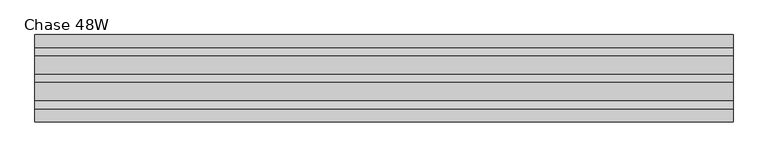
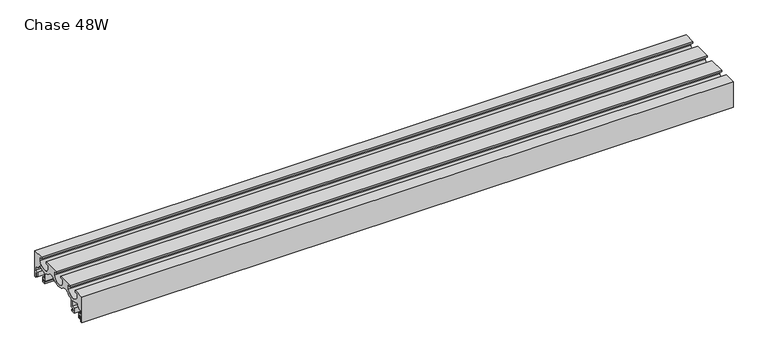
"""IFC4 building model written with IfcOpenShell, lengths in millimetres: furniture geometry, Chase 48W."""

from ifc_helpers import new_model, si_unit, point, frame, frame_2d, origin, place, context, project, spatial, polyline, circle_curve, trimmed, segment, composite_curve, outline, extrude, source, transform, mapped, element, save


def chase_48w_9d4e9c38(model_context):
    return source(origin(), model_context, "Body", "SweptSolid", [
        extrude(outline(composite_curve([segment(polyline([(76.2, 625.0939671), (73.1519984, 625.0939671), (73.1519984, 636.0114693), (69.7230016, 636.0114693), (69.7230016, 629.7431746), (66.675, 629.7431746), (66.675, 639.0639719), (73.1519984, 639.0639719), (73.1519984, 646.9289715), (67.1194996, 646.9289715), (62.8014992, 651.5100145), (62.8014992, 654.2731932)]), True, "CONTINUOUS"), segment(trimmed(circle_curve(frame_2d((61.2689815, 654.2731932)), 1.5325176), [point((62.8014992, 654.2731932))], [point((60.443958, 655.5646832))], True, "CARTESIAN"), True, "CONTINUOUS"), segment(trimmed(circle_curve(frame_2d((45.7854705, 678.5110487)), 27.2287889), [point((60.443958, 655.5646832))], [point((47.15276, 651.3166106))], False, "CARTESIAN"), True, "CONTINUOUS"), segment(trimmed(circle_curve(frame_2d((47.2687964, 649.0087274)), 2.3107984), [point((47.15276, 651.3166106))], [point((44.957998, 649.0087274))], True, "CARTESIAN"), True, "CONTINUOUS"), segment(polyline([(44.957998, 649.0087274), (44.957998, 639.0639719), (51.4350009, 639.0639719), (51.4350009, 629.5389719), (43.5365777, 629.5389719), (43.5365777, 632.586969), (48.3869993, 632.586969), (48.3869993, 636.0159748), (41.9100009, 636.0159748), (41.9100009, 649.5453748)]), True, "CONTINUOUS"), segment(trimmed(circle_curve(frame_2d((39.0714407, 649.5453748)), 2.8385603), [point((41.9100009, 649.5453748))], [point((39.705064, 652.3123128))], True, "CARTESIAN"), True, "CONTINUOUS"), segment(trimmed(circle_curve(frame_2d((43.855594, 670.4370539)), 18.5939007), [point((39.705064, 652.3123128))], [point((29.8324836, 658.2269959))], False, "CARTESIAN"), True, "CONTINUOUS"), segment(trimmed(circle_curve(frame_2d((26.7329772, 655.5282257)), 4.1097811), [point((29.8324836, 658.2269959))], [point((26.7329772, 659.6380068))], True, "CARTESIAN"), True, "CONTINUOUS"), segment(polyline([(26.7329772, 659.6380068), (20.668497, 659.6380068)]), True, "CONTINUOUS"), segment(trimmed(circle_curve(frame_2d((20.668497, 653.2880068)), 6.35), [point((20.668497, 659.6380068))], [point((16.3430808, 657.9370147))], True, "CARTESIAN"), True, "CONTINUOUS"), segment(trimmed(circle_curve(frame_2d((0.0, 675.5027493)), 23.9927348), [point((16.3430808, 657.9370147))], [point((-16.3430808, 657.9370147))], False, "CARTESIAN"), True, "CONTINUOUS"), segment(trimmed(circle_curve(frame_2d((-20.668497, 653.2880068)), 6.35), [point((-16.3430808, 657.9370147))], [point((-20.668497, 659.6380068))], True, "CARTESIAN"), True, "CONTINUOUS"), segment(polyline([(-20.668497, 659.6380068), (-26.7329772, 659.6380068)]), True, "CONTINUOUS"), segment(trimmed(circle_curve(frame_2d((-26.7329772, 655.5282257)), 4.1097811), [point((-26.7329772, 659.6380068))], [point((-29.8324836, 658.2269959))], True, "CARTESIAN"), True, "CONTINUOUS"), segment(trimmed(circle_curve(frame_2d((-43.855594, 670.4370539)), 18.5939007), [point((-29.8324836, 658.2269959))], [point((-39.705064, 652.3123128))], False, "CARTESIAN"), True, "CONTINUOUS"), segment(trimmed(circle_curve(frame_2d((-39.0714407, 649.5453748)), 2.8385603), [point((-39.705064, 652.3123128))], [point((-41.9100009, 649.5453748))], True, "CARTESIAN"), True, "CONTINUOUS"), segment(polyline([(-41.9100009, 649.5453748), (-41.9100009, 636.0159748), (-48.3869993, 636.0159748), (-48.3869993, 632.586969), (-43.5365777, 632.586969), (-43.5365777, 629.5389719), (-51.4350009, 629.5389719), (-51.4350009, 639.0639719), (-44.957998, 639.0639719), (-44.957998, 649.0087274)]), True, "CONTINUOUS"), segment(trimmed(circle_curve(frame_2d((-47.2687964, 649.0087274)), 2.3107984), [point((-44.957998, 649.0087274))], [point((-47.15276, 651.3166106))], True, "CARTESIAN"), True, "CONTINUOUS"), segment(trimmed(circle_curve(frame_2d((-45.7854705, 678.5110487)), 27.2287889), [point((-47.15276, 651.3166106))], [point((-60.443958, 655.5646832))], False, "CARTESIAN"), True, "CONTINUOUS"), segment(trimmed(circle_curve(frame_2d((-61.2689815, 654.2731932)), 1.5325176), [point((-60.443958, 655.5646832))], [point((-62.8014992, 654.2731932))], True, "CARTESIAN"), True, "CONTINUOUS"), segment(polyline([(-62.8014992, 654.2731932), (-62.8014992, 651.5100145), (-67.1194996, 646.9289715), (-73.1519984, 646.9289715), (-73.1519984, 639.0639719), (-66.675, 639.0639719), (-66.675, 629.7431746), (-69.7230016, 629.7431746), (-69.7230016, 636.0114693), (-73.1519984, 636.0114693), (-73.1519984, 625.0939671), (-76.2, 625.0939671), (-76.2, 675.8939913), (-54.1019984, 675.8939913), (-54.1019984, 672.8459942), (-60.5790013, 672.8459942), (-60.5790013, 664.9719835)]), True, "CONTINUOUS"), segment(trimmed(circle_curve(frame_2d((-46.4820011, 671.6224146)), 15.5869704), [point((-60.5790013, 664.9719835))], [point((-32.3850009, 664.9719835))], True, "CARTESIAN"), True, "CONTINUOUS"), segment(polyline([(-32.3850009, 664.9719835), (-32.3850009, 672.8459942), (-38.8619993, 672.8459942), (-38.8619993, 675.8939913), (-7.6200001, 675.8939913), (-7.6200001, 672.8459942), (-14.0970002, 672.8459942), (-14.0970002, 664.9719835)]), True, "CONTINUOUS"), segment(trimmed(circle_curve(frame_2d((0.0, 671.6224146)), 15.5869704), [point((-14.0970002, 664.9719835))], [point((14.0970002, 664.9719835))], True, "CARTESIAN"), True, "CONTINUOUS"), segment(polyline([(14.0970002, 664.9719835), (14.0970002, 672.8459942), (7.6200001, 672.8459942), (7.6200001, 675.8939913), (38.8619993, 675.8939913), (38.8619993, 672.8459942), (32.3850009, 672.8459942), (32.3850009, 664.9719835)]), True, "CONTINUOUS"), segment(trimmed(circle_curve(frame_2d((46.4820011, 671.6224146)), 15.5869704), [point((32.3850009, 664.9719835))], [point((60.5790013, 664.9719835))], True, "CARTESIAN"), True, "CONTINUOUS"), segment(polyline([(60.5790013, 664.9719835), (60.5790013, 672.8459942), (54.1019984, 672.8459942), (54.1019984, 675.8939913), (76.2, 675.8939913), (76.2, 625.0939671)]), True, "CONTINUOUS")], self_intersect=False)), frame((0.0, 0.0, 0.0), z_axis=(1.0, 0.0, 0.0), x_axis=(0.0, 1.0, 0.0)), (0.0, 0.0, 1.0), 1219.2),
    ])


if __name__ == "__main__":
    model = new_model("IFC4")
    model_context = context("Model", 3, world=origin())
    ifc_project = project(units=[si_unit("LENGTHUNIT", "METRE", prefix="MILLI")], contexts=[model_context])
    site = spatial("IfcSite", under=ifc_project)
    building = spatial("IfcBuilding", under=site)
    placement = place(None, origin())
    chase_48w_shape = chase_48w_9d4e9c38(model_context)
    element("IfcFurniture", 1, ObjectType="Chase 48W", at=placement, inside=building, context=model_context, shape_type="MappedRepresentation", body=[
        mapped(chase_48w_shape, transform((0.0, 0.0, 0.0), x_axis=(1.0, 0.0, 0.0), y_axis=(0.0, 1.0, 0.0), z_axis=(0.0, 0.0, 1.0))),
    ])
    save(model, "model.ifc")
